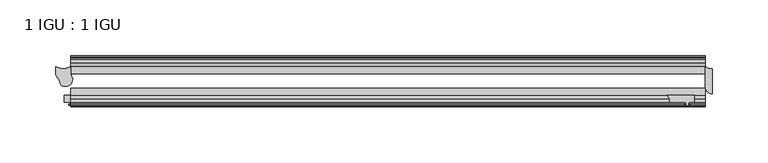
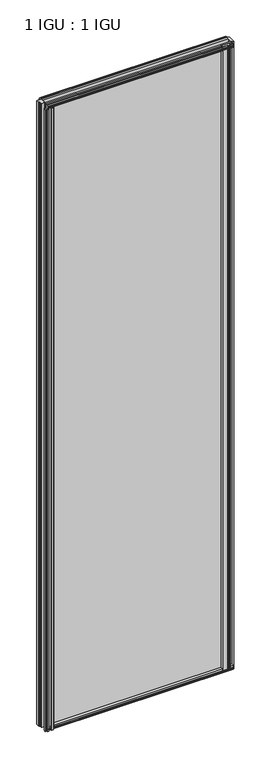
"""IFC4 building model written with IfcOpenShell, lengths in millimetres: plate geometry, 1 IGU : 1 IGU."""

from ifc_helpers import new_model, si_unit, point, frame, frame_2d, origin, place, context, project, spatial, polyline, circle_curve, trimmed, segment, composite_curve, outline, extrude, source, transform, mapped, element, save


def plate_1_igu_1_igu_f39357c2(model_context):
    return source(origin(), model_context, "Body", "SweptSolid", [
        extrude(outline(composite_curve([segment(trimmed(circle_curve(frame_2d((-259.9028287, -6.7014927)), 14.4881276), [point((-266.6052211, -19.5460937))], [point((-253.2004363, -19.5460937))], True, "CARTESIAN"), True, "CONTINUOUS"), segment(polyline([(-253.2004363, -19.5460937), (-253.2004363, -25.8960937)]), True, "CONTINUOUS"), segment(trimmed(circle_curve(frame_2d((-265.7807446, -32.4073837)), 14.1654881), [point((-253.2004363, -25.8960937))], [point((-251.6948967, -30.9074026))], False, "CARTESIAN"), True, "CONTINUOUS"), segment(trimmed(circle_curve(frame_2d((-258.1754656, -30.6663847)), 6.4850492), [point((-251.6948967, -30.9074026))], [point((-262.4456766, -35.5470774))], False, "CARTESIAN"), True, "CONTINUOUS"), segment(polyline([(-262.4456766, -35.5470774), (-262.6104022, -34.1720046), (-264.2234358, -30.2777969), (-265.4461664, -29.3825984), (-266.6052211, -26.5843929), (-266.6052211, -19.5460937)]), True, "CONTINUOUS")], self_intersect=False)), frame((0.0, 0.0, -6.35), z_axis=(0.0, 0.0, 1.0), x_axis=(1.0, 0.0, 0.0)), (0.0, 0.0, 1.0), 2012.7086999),
        extrude(outline(composite_curve([segment(polyline([(320.6777946, -21.3394322), (320.6777946, -43.5644322)]), True, "CONTINUOUS"), segment(trimmed(circle_curve(frame_2d((320.6777946, -37.2144322)), 6.35), [point((320.6777946, -43.5644322))], [point((314.3277946, -37.2144322))], False, "CARTESIAN"), True, "CONTINUOUS"), segment(polyline([(314.3277946, -37.2144322), (314.3277946, -19.5460938)]), True, "CONTINUOUS"), segment(trimmed(circle_curve(frame_2d((320.6777946, -9.2004624)), 12.1389698), [point((314.3277946, -19.5460938))], [point((320.6777946, -21.3394322))], True, "CARTESIAN"), True, "CONTINUOUS")], self_intersect=False)), frame((0.0, 0.0, -12.4587), z_axis=(0.0, 0.0, 1.0), x_axis=(1.0, 0.0, 0.0)), (0.0, 0.0, 1.0), 2018.8173999),
        extrude(outline(composite_curve([segment(polyline([(280.7145504, -44.9460938), (304.8027946, -44.9460938), (304.8027946, -51.2960938), (299.7227946, -51.2960938), (299.4052946, -53.4006957), (300.6239005, -53.0741712), (300.8276946, -53.8347412), (298.4527946, -54.4710938), (296.0778946, -53.8347412), (296.2816888, -53.0741712), (297.5002946, -53.4006957), (297.1827946, -51.2960938), (282.5777946, -51.2960938)]), True, "CONTINUOUS"), segment(trimmed(circle_curve(frame_2d((273.8021668, -50.4227155)), 8.8189814), [point((282.5777946, -51.2960938))], [point((280.7145504, -44.9460938))], True, "CARTESIAN"), True, "CONTINUOUS")], self_intersect=False)), frame((0.0, 0.0, -9.0482291), z_axis=(0.0, 0.0, 1.0), x_axis=(1.0, 0.0, 0.0)), (0.0, 0.0, 1.0), 2015.406929),
        extrude(outline(composite_curve([segment(polyline([(-259.0577578, -51.2960938), (-259.0577578, -44.9460938), (-231.4427248, -44.9460938)]), True, "CONTINUOUS"), segment(trimmed(circle_curve(frame_2d((-226.2788557, -49.5178448)), 6.8968436), [point((-231.4427248, -44.9460938))], [point((-232.9425096, -51.2960938))], True, "CARTESIAN"), True, "CONTINUOUS"), segment(polyline([(-232.9425096, -51.2960938), (-236.8581578, -51.2960938)]), True, "CONTINUOUS"), segment(trimmed(circle_curve(frame_2d((-236.8581578, -51.7532937)), 0.4572), [point((-236.8581578, -51.2960938))], [point((-237.1969756, -52.0602698))], True, "CARTESIAN"), True, "CONTINUOUS"), segment(trimmed(circle_curve(frame_2d((-238.9663578, -53.663367)), 2.3876), [point((-237.1969756, -52.0602698))], [point((-236.8957148, -54.8520938))], False, "CARTESIAN"), True, "CONTINUOUS"), segment(polyline([(-236.8957148, -54.8520938), (-241.0370008, -54.8520938)]), True, "CONTINUOUS"), segment(trimmed(circle_curve(frame_2d((-238.9663578, -53.663367)), 2.3876), [point((-241.0370008, -54.8520938))], [point((-240.7357399, -52.0602698))], False, "CARTESIAN"), True, "CONTINUOUS"), segment(trimmed(circle_curve(frame_2d((-241.0745578, -51.7532937)), 0.4572), [point((-240.7357399, -52.0602698))], [point((-241.0745578, -51.2960938))], True, "CARTESIAN"), True, "CONTINUOUS"), segment(polyline([(-241.0745578, -51.2960938), (-251.4377578, -51.2960938), (-251.7552578, -53.4006957), (-250.5366519, -53.0741712), (-250.3328578, -53.8347412), (-252.7077578, -54.4710938), (-255.0826578, -53.8347412), (-254.8788637, -53.0741712), (-253.6602578, -53.4006957), (-253.9777578, -51.2960938), (-259.0577578, -51.2960938)]), True, "CONTINUOUS")], self_intersect=False)), frame((0.0, 0.0, -12.4587), z_axis=(0.0, 0.0, 1.0), x_axis=(1.0, 0.0, 0.0)), (0.0, 0.0, 1.0), 2006.1173999),
        extrude(outline(polyline([(-10.4746158, -4.6931709), (-9.7670937, -6.8707), (-10.4746158, -9.0482291), (-11.27583, -9.0482291), (-10.8158968, -7.6327), (-13.1960937, -8.0137), (-13.1960937, -12.4587), (-16.1424937, -12.4587), (-19.5460937, -9.6243578), (-19.5460937, 1.1970181), (-13.1960937, -0.5207), (-13.1960937, -5.7277), (-10.8158968, -6.1087), (-11.27583, -4.6931709), (-10.4746158, -4.6931709)])), frame((-253.2090446, 0.0, 0.0), z_axis=(1.0, 0.0, 0.0), x_axis=(0.0, 1.0, 0.0)), (0.0, 0.0, 1.0), 567.5368393),
        extrude(outline(polyline([(-44.9460937, 1.7177181), (-44.9460937, -9.1036578), (-48.3496937, -11.938), (-51.2960937, -11.938), (-51.2960937, -7.493), (-53.6762907, -7.112), (-53.2163575, -8.5275291), (-54.0175717, -8.5275291), (-54.7250937, -6.35), (-54.0175717, -4.1724709), (-53.2163575, -4.1724709), (-53.6762907, -5.588), (-51.2960937, -5.207), (-51.2960937, 0.0), (-44.9460937, 1.7177181)])), frame((-253.2090446, 0.0, 0.0), z_axis=(1.0, 0.0, 0.0), x_axis=(0.0, 1.0, 0.0)), (0.0, 0.0, 1.0), 567.5368393),
        extrude(outline(polyline([(-10.8158968, 2001.5326999), (-11.27583, 2002.948229), (-10.4746158, 2002.948229), (-9.7670937, 2000.7706999), (-10.4746158, 1998.5931709), (-11.27583, 1998.5931709), (-10.8158968, 2000.0086999), (-13.1960937, 1999.6276999), (-13.1960937, 1994.4206999), (-19.5460938, 1992.7029819), (-19.5460938, 2003.5243578), (-16.1424937, 2006.3586999), (-13.1960937, 2006.3586999), (-13.1960937, 2001.9136999), (-10.8158968, 2001.5326999)])), frame((-253.2090446, 0.0, 0.0), z_axis=(1.0, 0.0, 0.0), x_axis=(0.0, 1.0, 0.0)), (0.0, 0.0, 1.0), 567.5368393),
        extrude(outline(polyline([(-51.2960937, 2005.8379999), (-48.3496937, 2005.8379999), (-44.9460938, 2003.0036578), (-44.9460938, 1992.1822819), (-51.2960937, 1993.8999999), (-51.2960937, 1999.1069999), (-53.6762907, 1999.4879999), (-53.2163575, 1998.0724709), (-54.0175717, 1998.0724709), (-54.7250937, 2000.2499999), (-54.0175717, 2002.427529), (-53.2163575, 2002.427529), (-53.6762907, 2001.0119999), (-51.2960937, 2001.3929999), (-51.2960937, 2005.8379999)])), frame((-253.2090446, 0.0, 0.0), z_axis=(1.0, 0.0, 0.0), x_axis=(0.0, 1.0, 0.0)), (0.0, 0.0, 1.0), 567.5368393),
        extrude(outline(polyline([(-253.2090446, -38.9186738), (314.3277946, -38.9186738), (314.3277946, -44.9460937), (-253.2090446, -44.9460937), (-253.2090446, -38.9186738)])), frame((0.0, 0.0, -12.7), z_axis=(0.0, 0.0, 1.0), x_axis=(1.0, 0.0, 0.0)), (0.0, 0.0, 1.0), 2019.2999999),
        extrude(outline(polyline([(-253.2090446, -19.5460937), (314.3277946, -19.5460937), (314.3277946, -25.8960938), (-253.2090446, -25.8960938), (-253.2090446, -19.5460937)])), frame((0.0, 0.0, -12.7), z_axis=(0.0, 0.0, 1.0), x_axis=(1.0, 0.0, 0.0)), (0.0, 0.0, 1.0), 2019.2999999),
    ])


if __name__ == "__main__":
    model = new_model("IFC4")
    model_context = context("Model", 3, world=origin())
    ifc_project = project(units=[si_unit("LENGTHUNIT", "METRE", prefix="MILLI")], contexts=[model_context])
    site = spatial("IfcSite", under=ifc_project)
    building = spatial("IfcBuilding", under=site)
    placement = place(None, origin())
    plate_1_igu_1_igu_shape = plate_1_igu_1_igu_f39357c2(model_context)
    element("IfcPlate", 1, ObjectType="1 IGU : 1 IGU", at=placement, inside=building, context=model_context, shape_type="MappedRepresentation", body=[
        mapped(plate_1_igu_1_igu_shape, transform((0.0, 0.0, 0.0), x_axis=(1.0, 0.0, 0.0), y_axis=(0.0, 1.0, 0.0), z_axis=(0.0, 0.0, 1.0))),
    ])
    save(model, "model.ifc")
